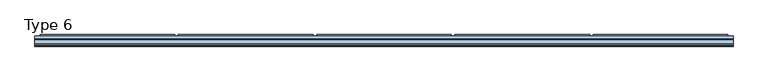
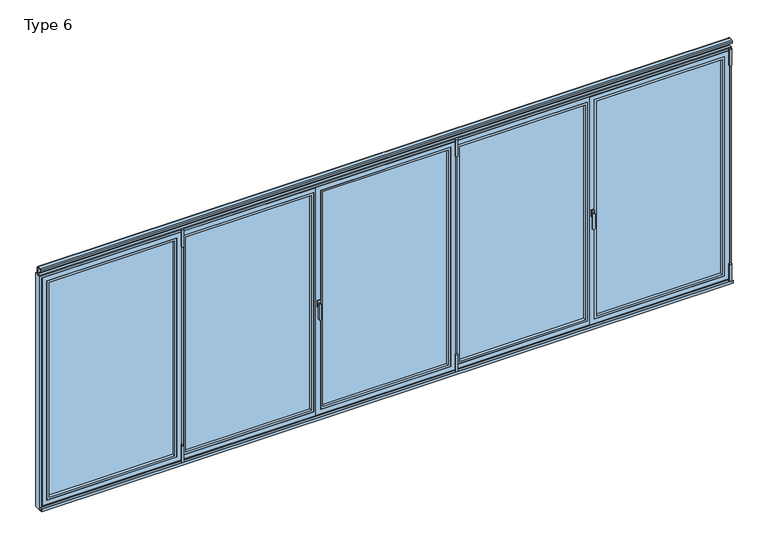
"""IFC4 building model written with IfcOpenShell, lengths in millimetres: window geometry, Type 6."""

from ifc_helpers import new_model, si_unit, point, frame, frame_2d, origin, place, context, project, spatial, polyline, circle_curve, trimmed, segment, composite_curve, outline, extrude, faceted_brep, source, transform, mapped, element, save
from ifc_brep_helpers import plane_surface, revolved_surface, advanced_brep


def type_6_426a1df4(model_context):
    return source(origin(), model_context, "Body", "SolidModel", [
        faceted_brep([(-1791.0, 80.0, 35.0), (-1796.0, 80.0, 35.0), (-2940.0, 80.0, 35.0), (-2945.0, 80.0, 35.0), (-2945.0, 80.0, 2070.0), (-2940.0, 80.0, 2070.0), (-1796.0, 80.0, 2070.0), (-1791.0, 80.0, 2070.0), (-1828.5, 80.0, 72.5), (-1828.5, 80.0, 2032.5), (-2907.5, 80.0, 2032.5), (-2907.5, 80.0, 72.5), (-2970.0, 20.0, 10.0), (-1766.0, 20.0, 10.0), (-1766.0, 20.0, 2095.0), (-2970.0, 20.0, 2095.0), (-2930.0, 20.0, 50.0), (-2930.0, 20.0, 2055.0), (-1806.0, 20.0, 2055.0), (-1806.0, 20.0, 50.0), (-1806.0, 72.75, 2055.0), (-1806.0, 72.75, 50.0), (-2930.0, 72.75, 50.0), (-2930.0, 72.75, 2055.0), (-2907.5, 72.75, 72.5), (-2907.5, 72.75, 2032.5), (-1828.5, 72.75, 2032.5), (-1828.5, 72.75, 72.5), (-1791.0, 73.0, 2070.0), (-1791.0, 73.0, 35.0), (-2945.0, 73.0, 35.0), (-2945.0, 73.0, 2070.0), (-1796.0, 73.0, 35.0), (-2940.0, 73.0, 35.0), (-2955.0, 73.0, 25.0), (-2955.0, 73.0, 2080.0), (-1781.0, 73.0, 2080.0), (-1781.0, 73.0, 25.0), (-1796.0, 73.0, 2070.0), (-2940.0, 73.0, 2070.0), (-1781.0, 27.0, 2080.0), (-1781.0, 27.0, 25.0), (-2955.0, 27.0, 25.0), (-2955.0, 27.0, 2080.0), (-1766.0, 27.0, 10.0), (-2970.0, 27.0, 10.0), (-2970.0, 27.0, 2095.0), (-1766.0, 27.0, 2095.0)], [[[0, 1, 2, 3, 4, 5, 6, 7], [8, 9, 10, 11]], [[12, 13, 14, 15], [16, 17, 18, 19]], [[19, 18, 20, 21]], [[21, 22, 16, 19]], [[22, 23, 17, 16]], [[21, 20, 23, 22], [24, 25, 26, 27]], [[27, 26, 9, 8]], [[8, 11, 24, 27]], [[11, 10, 25, 24]], [[23, 20, 18, 17]], [[10, 9, 26, 25]], [[7, 28, 29, 0]], [[3, 30, 31, 4]], [[29, 32, 33, 30, 3, 2, 1, 0]], [[34, 35, 36, 37], [30, 33, 32, 29, 28, 38, 39, 31]], [[37, 36, 40, 41]], [[42, 34, 37, 41]], [[42, 43, 35, 34]], [[31, 39, 38, 28, 7, 6, 5, 4]], [[40, 36, 35, 43]], [[44, 13, 12, 45]], [[46, 47, 44, 45], [40, 43, 42, 41]], [[14, 47, 46, 15]], [[12, 15, 46, 45]], [[14, 13, 44, 47]]]),
        extrude(outline(polyline([(-1806.0, 72.75), (-1806.0, 44.75), (-2930.0, 44.75), (-2930.0, 72.75), (-1806.0, 72.75)])), frame((0.0, 0.0, 50.0), z_axis=(0.0, 0.0, 1.0), x_axis=(1.0, 0.0, 0.0)), (0.0, 0.0, 1.0), 2005.0),
        extrude(outline(polyline([(2055.0, -1806.0), (2055.0, -2930.0), (50.0, -2930.0), (50.0, -1806.0), (2055.0, -1806.0)]), holes=[polyline([(2035.0009231, -2910.0009231), (2035.0009231, -1825.9990769), (69.9990769, -1825.9990769), (69.9990769, -2910.0009231), (2035.0009231, -2910.0009231)])]), frame((0.0, 20.5, 0.0), z_axis=(0.0, 1.0, 0.0), x_axis=(0.0, 0.0, 1.0)), (0.0, 0.0, 1.0), 24.25),
        extrude(outline(composite_curve([segment(trimmed(circle_curve(frame_2d((-1763.5, 6.5)), 10.0), [point((-1753.5, 6.5))], [point((-1773.5, 6.5))], False, "CARTESIAN"), True, "CONTINUOUS"), segment(trimmed(circle_curve(frame_2d((-1763.5, 6.5)), 10.0), [point((-1773.5, 6.5))], [point((-1753.5, 6.5))], False, "CARTESIAN"), True, "CONTINUOUS")], self_intersect=False)), frame((0.0, 0.0, -12.0640378), z_axis=(0.0, 0.0, 1.0), x_axis=(1.0, 0.0, 0.0)), (0.0, 0.0, 1.0), 166.5636122),
        extrude(outline(composite_curve([segment(trimmed(circle_curve(frame_2d((-1763.5, 6.5)), 10.0), [point((-1773.5, 6.5))], [point((-1753.5, 6.5))], False, "CARTESIAN"), True, "CONTINUOUS"), segment(trimmed(circle_curve(frame_2d((-1763.5, 6.5)), 10.0), [point((-1753.5, 6.5))], [point((-1773.5, 6.5))], False, "CARTESIAN"), True, "CONTINUOUS")], self_intersect=False)), frame((0.0, 0.0, 1972.5), z_axis=(0.0, 0.0, 1.0), x_axis=(1.0, 0.0, 0.0)), (0.0, 0.0, 1.0), 153.5),
        extrude(outline(polyline([(80.0, 52.8188022), (93.0, 45.3132487), (93.0, 32.2), (80.0, 32.2), (80.0, 52.8188022)])), frame((-2945.0, 0.0, 0.0), z_axis=(1.0, 0.0, 0.0), x_axis=(0.0, 1.0, 0.0)), (0.0, 0.0, 1.0), 1154.0),
        advanced_brep(
        [(-568.5, 11.0, 1028.0), (-590.5, 11.0, 1028.0), (-589.5, 3.5, 1028.0), (-569.5, 3.5, 1028.0), (-570.5, -4.0, 896.6867153), (-570.5, -4.0, 1028.0), (-588.5, -4.0, 1028.0), (-588.5, -4.0, 896.6867153), (-569.5, 3.5, 896.6867153), (-589.5, 3.5, 896.6867153)],
        [
            (0, 1, circle_curve(frame((-579.5, 11.0, 1028.0), z_axis=(0.0, 1.0, 0.0), x_axis=(-1.0, 0.0, 0.0)), 11.0)),
            (1, 0, circle_curve(frame((-579.5, 11.0, 1028.0), z_axis=(0.0, 1.0, 0.0), x_axis=(1.0, 0.0, 0.0)), 11.0)),
            (1, 2),
            (2, 3, circle_curve(frame((-579.5, 3.5, 1028.0), z_axis=(0.0, 1.0, 0.0), x_axis=(1.0, 0.0, 0.0)), 10.0)),
            (3, 0),
            (3, 2, circle_curve(frame((-579.5, 3.5, 1028.0), z_axis=(0.0, 1.0, 0.0), x_axis=(-1.0, 0.0, 0.0)), 10.0)),
            (4, 5),
            (5, 6, circle_curve(frame((-579.5, -4.0, 1028.0), z_axis=(0.0, -1.0, 0.0), x_axis=(-1.0, 0.0, 0.0)), 9.0)),
            (6, 7),
            (7, 4, circle_curve(frame((-579.5, -4.0, 896.6867153), z_axis=(0.0, -1.0, 0.0), x_axis=(1.0, 0.0, 0.0)), 9.0)),
            (8, 9, circle_curve(frame((-579.5, 3.5, 896.6867153), z_axis=(0.0, 1.0, 0.0), x_axis=(1.0, 0.0, 0.0)), 10.0)),
            (9, 2),
            (3, 8),
            (7, 9),
            (8, 4),
            (6, 2),
            (5, 3),
        ],
        [
            plane_surface(frame((-579.5, 11.0, 1028.0), z_axis=(0.0, 1.0, 0.0), x_axis=(0.0, 0.0, 1.0))),
            revolved_surface(polyline([(-589.5, 3.5, 1028.0), (-590.5, 11.0, 1028.0)]), (-579.5, -71.5, 1028.0), (0.0, 1.0, 0.0)),
            revolved_surface(polyline([(-569.5, 3.5, 1028.0), (-568.5, 11.0, 1028.0)]), (-579.5, -71.5, 1028.0), (0.0, 1.0, 0.0)),
            plane_surface(frame((-579.5, -4.0, 962.3433576), z_axis=(0.0, -1.0, 0.0), x_axis=(0.0, 0.0, -1.0))),
            plane_surface(frame((-579.5, 3.5, 962.3433576), z_axis=(0.0, 1.0, 0.0), x_axis=(0.0, 0.0, -1.0))),
            revolved_surface(polyline([(-588.5, -4.0, 896.6867153), (-589.5, 3.5, 896.6867153)]), (-579.5, -71.5, 896.6867153), (0.0, 1.0, 0.0)),
            plane_surface(frame((-589.5, 3.5, 962.3433576), z_axis=(-0.9912279006826277, -0.1321637200910704, 0.0), x_axis=(0.0, 0.0, 1.0))),
            revolved_surface(polyline([(-570.5, -4.0, 1028.0), (-569.5, 3.5, 1028.0)]), (-579.5, -71.5, 1028.0), (0.0, 1.0, 0.0)),
            plane_surface(frame((-569.5, 3.5, 962.3433576), z_axis=(0.9912279006826291, -0.1321637200910603, 0.0), x_axis=(0.0, 0.0, -1.0))),
        ],
        [
            (0, [[1, 2]]),
            (1, [[3, 4, 5, -2]]),
            (2, [[-5, 6, -3, -1]]),
            (3, [[7, 8, 9, 10]]),
            (4, [[11, 12, -6, 13]]),
            (5, [[14, -11, 15, -10]]),
            (6, [[16, -12, -14, -9]]),
            (7, [[17, -4, -16, -8]]),
            (8, [[-15, -13, -17, -7]]),
        ],
    ),
        extrude(outline(polyline([(-591.5, 11.0), (-591.5, 20.0), (-567.5, 20.0), (-567.5, 11.0), (-591.5, 11.0)])), frame((0.0, 0.0, 998.0), z_axis=(0.0, 0.0, 1.0), x_axis=(1.0, 0.0, 0.0)), (0.0, 0.0, 1.0), 60.0),
        faceted_brep([(577.0, 80.0, 35.0), (572.0, 80.0, 35.0), (-572.0, 80.0, 35.0), (-577.0, 80.0, 35.0), (-577.0, 80.0, 2070.0), (-572.0, 80.0, 2070.0), (572.0, 80.0, 2070.0), (577.0, 80.0, 2070.0), (539.5, 80.0, 72.5), (539.5, 80.0, 2032.5), (-539.5, 80.0, 2032.5), (-539.5, 80.0, 72.5), (-602.0, 20.0, 10.0), (602.0, 20.0, 10.0), (602.0, 20.0, 2095.0), (-602.0, 20.0, 2095.0), (-562.0, 20.0, 50.0), (-562.0, 20.0, 2055.0), (562.0, 20.0, 2055.0), (562.0, 20.0, 50.0), (562.0, 72.75, 2055.0), (562.0, 72.75, 50.0), (-562.0, 72.75, 50.0), (-562.0, 72.75, 2055.0), (-539.5, 72.75, 72.5), (-539.5, 72.75, 2032.5), (539.5, 72.75, 2032.5), (539.5, 72.75, 72.5), (577.0, 73.0, 2070.0), (577.0, 73.0, 35.0), (-577.0, 73.0, 35.0), (-577.0, 73.0, 2070.0), (572.0, 73.0, 35.0), (-572.0, 73.0, 35.0), (-587.0, 73.0, 25.0), (-587.0, 73.0, 2080.0), (587.0, 73.0, 2080.0), (587.0, 73.0, 25.0), (572.0, 73.0, 2070.0), (-572.0, 73.0, 2070.0), (587.0, 27.0, 2080.0), (587.0, 27.0, 25.0), (-587.0, 27.0, 25.0), (-587.0, 27.0, 2080.0), (602.0, 27.0, 10.0), (-602.0, 27.0, 10.0), (-602.0, 27.0, 2095.0), (602.0, 27.0, 2095.0)], [[[0, 1, 2, 3, 4, 5, 6, 7], [8, 9, 10, 11]], [[12, 13, 14, 15], [16, 17, 18, 19]], [[19, 18, 20, 21]], [[21, 22, 16, 19]], [[22, 23, 17, 16]], [[21, 20, 23, 22], [24, 25, 26, 27]], [[27, 26, 9, 8]], [[8, 11, 24, 27]], [[11, 10, 25, 24]], [[23, 20, 18, 17]], [[10, 9, 26, 25]], [[7, 28, 29, 0]], [[3, 30, 31, 4]], [[29, 32, 33, 30, 3, 2, 1, 0]], [[34, 35, 36, 37], [30, 33, 32, 29, 28, 38, 39, 31]], [[37, 36, 40, 41]], [[42, 34, 37, 41]], [[42, 43, 35, 34]], [[31, 39, 38, 28, 7, 6, 5, 4]], [[40, 36, 35, 43]], [[44, 13, 12, 45]], [[46, 47, 44, 45], [40, 43, 42, 41]], [[14, 47, 46, 15]], [[12, 15, 46, 45]], [[14, 13, 44, 47]]]),
        extrude(outline(polyline([(562.0, 72.75), (562.0, 44.75), (-562.0, 44.75), (-562.0, 72.75), (562.0, 72.75)])), frame((0.0, 0.0, 50.0), z_axis=(0.0, 0.0, 1.0), x_axis=(1.0, 0.0, 0.0)), (0.0, 0.0, 1.0), 2005.0),
        extrude(outline(polyline([(2055.0, 562.0), (2055.0, -562.0), (50.0, -562.0), (50.0, 562.0), (2055.0, 562.0)]), holes=[polyline([(2035.0009231, -542.0009231), (2035.0009231, 542.0009231), (69.9990769, 542.0009231), (69.9990769, -542.0009231), (2035.0009231, -542.0009231)])]), frame((0.0, 20.5, 0.0), z_axis=(0.0, 1.0, 0.0), x_axis=(0.0, 0.0, 1.0)), (0.0, 0.0, 1.0), 24.25),
        extrude(outline(composite_curve([segment(trimmed(circle_curve(frame_2d((604.5, 6.5)), 10.0), [point((614.5, 6.5))], [point((594.5, 6.5))], False, "CARTESIAN"), True, "CONTINUOUS"), segment(trimmed(circle_curve(frame_2d((604.5, 6.5)), 10.0), [point((594.5, 6.5))], [point((614.5, 6.5))], False, "CARTESIAN"), True, "CONTINUOUS")], self_intersect=False)), frame((0.0, 0.0, -12.0640378), z_axis=(0.0, 0.0, 1.0), x_axis=(1.0, 0.0, 0.0)), (0.0, 0.0, 1.0), 166.5636122),
        extrude(outline(composite_curve([segment(trimmed(circle_curve(frame_2d((604.5, 6.5)), 10.0), [point((594.5, 6.5))], [point((614.5, 6.5))], False, "CARTESIAN"), True, "CONTINUOUS"), segment(trimmed(circle_curve(frame_2d((604.5, 6.5)), 10.0), [point((614.5, 6.5))], [point((594.5, 6.5))], False, "CARTESIAN"), True, "CONTINUOUS")], self_intersect=False)), frame((0.0, 0.0, 1972.5), z_axis=(0.0, 0.0, 1.0), x_axis=(1.0, 0.0, 0.0)), (0.0, 0.0, 1.0), 153.5),
        extrude(outline(polyline([(80.0, 52.8188022), (93.0, 45.3132487), (93.0, 32.2), (80.0, 32.2), (80.0, 52.8188022)])), frame((-577.0, 0.0, 0.0), z_axis=(1.0, 0.0, 0.0), x_axis=(0.0, 1.0, 0.0)), (0.0, 0.0, 1.0), 1154.0),
        faceted_brep([(582.0, 80.0, 35.0), (582.0, 80.0, 2070.0), (612.0, 80.0, 2070.0), (1756.0, 80.0, 2070.0), (1786.0, 80.0, 2070.0), (1786.0, 80.0, 35.0), (1756.0, 80.0, 35.0), (612.0, 80.0, 35.0), (644.5, 80.0, 72.5), (1723.5, 80.0, 72.5), (1723.5, 80.0, 2032.5), (644.5, 80.0, 2032.5), (1761.0, 20.0, 10.0), (1761.0, 20.0, 2095.0), (1756.0, 20.0, 2095.0), (612.0, 20.0, 2095.0), (607.0, 20.0, 2095.0), (607.0, 20.0, 10.0), (612.0, 20.0, 10.0), (1756.0, 20.0, 10.0), (1746.0, 20.0, 50.0), (622.0, 20.0, 50.0), (622.0, 20.0, 2055.0), (1746.0, 20.0, 2055.0), (622.0, 72.75, 50.0), (622.0, 72.75, 2055.0), (1746.0, 72.75, 50.0), (1746.0, 72.75, 2055.0), (1723.5, 72.75, 72.5), (644.5, 72.75, 72.5), (644.5, 72.75, 2032.5), (1723.5, 72.75, 2032.5), (582.0, 73.0, 35.0), (1786.0, 73.0, 35.0), (1771.0, 73.0, 35.0), (1756.0, 73.0, 35.0), (612.0, 73.0, 35.0), (597.0, 73.0, 35.0), (1771.0, 73.0, 25.0), (597.0, 73.0, 25.0), (597.0, 73.0, 2080.0), (1771.0, 73.0, 2080.0), (1771.0, 73.0, 2070.0), (1756.0, 73.0, 2070.0), (612.0, 73.0, 2070.0), (597.0, 73.0, 2070.0), (597.0, 27.0, 25.0), (597.0, 27.0, 2080.0), (1771.0, 27.0, 25.0), (1761.0, 27.0, 25.0), (1756.0, 27.0, 25.0), (612.0, 27.0, 25.0), (607.0, 27.0, 25.0), (1771.0, 27.0, 2080.0), (607.0, 27.0, 2080.0), (1761.0, 27.0, 2080.0), (582.0, 73.0, 2070.0), (1786.0, 73.0, 2070.0), (612.0, 27.0, 2080.0), (1756.0, 27.0, 2080.0), (1761.0, 27.0, 10.0), (1761.0, 27.0, 2095.0), (607.0, 27.0, 10.0), (607.0, 27.0, 2095.0), (612.0, 27.0, 10.0), (1756.0, 27.0, 10.0), (1756.0, 27.0, 2095.0), (612.0, 27.0, 2095.0)], [[[0, 1, 2, 3, 4, 5, 6, 7], [8, 9, 10, 11]], [[12, 13, 14, 15, 16, 17, 18, 19], [20, 21, 22, 23]], [[21, 24, 25, 22]], [[24, 21, 20, 26]], [[26, 20, 23, 27]], [[24, 26, 27, 25], [28, 29, 30, 31]], [[29, 8, 11, 30]], [[8, 29, 28, 9]], [[9, 28, 31, 10]], [[27, 23, 22, 25]], [[10, 31, 30, 11]], [[32, 0, 7, 6, 5, 33, 34, 35, 36, 37]], [[38, 39, 37, 36, 35, 34]], [[40, 41, 42, 43, 44, 45]], [[39, 46, 47, 40, 45, 37]], [[46, 39, 38, 48, 49, 50, 51, 52]], [[48, 38, 34, 42, 41, 53]], [[47, 46, 52, 54]], [[48, 53, 55, 49]], [[1, 56, 45, 44, 43, 42, 57, 4, 3, 2]], [[53, 41, 40, 47, 54, 58, 59, 55]], [[12, 60, 49, 55, 61, 13]], [[62, 17, 16, 63, 54, 52]], [[17, 62, 64, 65, 60, 12, 19, 18]], [[62, 52, 51, 50, 49, 60, 65, 64]], [[13, 61, 66, 67, 63, 16, 15, 14]], [[61, 55, 59, 58, 54, 63, 67, 66]], [[56, 1, 0, 32]], [[33, 5, 4, 57]], [[33, 57, 42, 34]], [[56, 32, 37, 45]]]),
        extrude(outline(polyline([(622.0, 72.75), (1746.0, 72.75), (1746.0, 44.75), (622.0, 44.75), (622.0, 72.75)])), frame((0.0, 0.0, 50.0), z_axis=(0.0, 0.0, 1.0), x_axis=(1.0, 0.0, 0.0)), (0.0, 0.0, 1.0), 2005.0),
        extrude(outline(polyline([(2055.0, 622.0), (50.0, 622.0), (50.0, 1746.0), (2055.0, 1746.0), (2055.0, 622.0)]), holes=[polyline([(2035.0009231, 1726.0009231), (69.9990769, 1726.0009231), (69.9990769, 641.9990769), (2035.0009231, 641.9990769), (2035.0009231, 1726.0009231)])]), frame((0.0, 20.5, 0.0), z_axis=(0.0, 1.0, 0.0), x_axis=(0.0, 0.0, 1.0)), (0.0, 0.0, 1.0), 24.25),
        extrude(outline(composite_curve([segment(trimmed(circle_curve(frame_2d((604.5, 6.5)), 10.0), [point((594.5, 6.5))], [point((614.5, 6.5))], False, "CARTESIAN"), True, "CONTINUOUS"), segment(trimmed(circle_curve(frame_2d((604.5, 6.5)), 10.0), [point((614.5, 6.5))], [point((594.5, 6.5))], False, "CARTESIAN"), True, "CONTINUOUS")], self_intersect=False)), frame((0.0, 0.0, -12.0640378), z_axis=(0.0, 0.0, 1.0), x_axis=(1.0, 0.0, 0.0)), (0.0, 0.0, 1.0), 166.5636122),
        extrude(outline(composite_curve([segment(trimmed(circle_curve(frame_2d((604.5, 6.5)), 10.0), [point((614.5, 6.5))], [point((594.5, 6.5))], False, "CARTESIAN"), True, "CONTINUOUS"), segment(trimmed(circle_curve(frame_2d((604.5, 6.5)), 10.0), [point((594.5, 6.5))], [point((614.5, 6.5))], False, "CARTESIAN"), True, "CONTINUOUS")], self_intersect=False)), frame((0.0, 0.0, 1972.5), z_axis=(0.0, 0.0, 1.0), x_axis=(1.0, 0.0, 0.0)), (0.0, 0.0, 1.0), 153.5),
        extrude(outline(polyline([(80.0, 52.8188022), (93.0, 45.3132487), (93.0, 32.2), (80.0, 32.2), (80.0, 52.8188022)])), frame((607.0, 0.0, 0.0), z_axis=(1.0, 0.0, 0.0), x_axis=(0.0, 1.0, 0.0)), (0.0, 0.0, 1.0), 1154.0),
        advanced_brep(
        [(1799.5, 11.0, 1028.0), (1777.5, 11.0, 1028.0), (1778.5, 3.5, 1028.0), (1798.5, 3.5, 1028.0), (1797.5, -4.0, 896.6867153), (1797.5, -4.0, 1028.0), (1779.5, -4.0, 1028.0), (1779.5, -4.0, 896.6867153), (1798.5, 3.5, 896.6867153), (1778.5, 3.5, 896.6867153)],
        [
            (0, 1, circle_curve(frame((1788.5, 11.0, 1028.0), z_axis=(0.0, 1.0, 0.0), x_axis=(-1.0, 0.0, 0.0)), 11.0)),
            (1, 0, circle_curve(frame((1788.5, 11.0, 1028.0), z_axis=(0.0, 1.0, 0.0), x_axis=(1.0, 0.0, 0.0)), 11.0)),
            (1, 2),
            (2, 3, circle_curve(frame((1788.5, 3.5, 1028.0), z_axis=(0.0, 1.0, 0.0), x_axis=(1.0, 0.0, 0.0)), 10.0)),
            (3, 0),
            (3, 2, circle_curve(frame((1788.5, 3.5, 1028.0), z_axis=(0.0, 1.0, 0.0), x_axis=(-1.0, 0.0, 0.0)), 10.0)),
            (4, 5),
            (5, 6, circle_curve(frame((1788.5, -4.0, 1028.0), z_axis=(0.0, -1.0, 0.0), x_axis=(-1.0, 0.0, 0.0)), 9.0)),
            (6, 7),
            (7, 4, circle_curve(frame((1788.5, -4.0, 896.6867153), z_axis=(0.0, -1.0, 0.0), x_axis=(1.0, 0.0, 0.0)), 9.0)),
            (8, 9, circle_curve(frame((1788.5, 3.5, 896.6867153), z_axis=(0.0, 1.0, 0.0), x_axis=(1.0, 0.0, 0.0)), 10.0)),
            (9, 2),
            (3, 8),
            (7, 9),
            (8, 4),
            (6, 2),
            (5, 3),
        ],
        [
            plane_surface(frame((1788.5, 11.0, 1028.0), z_axis=(0.0, 1.0, 0.0), x_axis=(0.0, 0.0, 1.0))),
            revolved_surface(polyline([(1778.5, 3.5, 1028.0), (1777.5, 11.0, 1028.0)]), (1788.5, -71.5, 1028.0), (0.0, 1.0, 0.0)),
            revolved_surface(polyline([(1798.5, 3.5, 1028.0), (1799.5, 11.0, 1028.0)]), (1788.5, -71.5, 1028.0), (0.0, 1.0, 0.0)),
            plane_surface(frame((1788.5, -4.0, 962.3433576), z_axis=(0.0, -1.0, 0.0), x_axis=(0.0, 0.0, -1.0))),
            plane_surface(frame((1788.5, 3.5, 962.3433576), z_axis=(0.0, 1.0, 0.0), x_axis=(0.0, 0.0, -1.0))),
            revolved_surface(polyline([(1779.5, -4.0, 896.6867153), (1778.5, 3.5, 896.6867153)]), (1788.5, -71.5, 896.6867153), (0.0, 1.0, 0.0)),
            plane_surface(frame((1778.5, 3.5, 962.3433576), z_axis=(-0.9912279006826277, -0.1321637200910704, 0.0), x_axis=(0.0, 0.0, 1.0))),
            revolved_surface(polyline([(1797.5, -4.0, 1028.0), (1798.5, 3.5, 1028.0)]), (1788.5, -71.5, 1028.0), (0.0, 1.0, 0.0)),
            plane_surface(frame((1798.5, 3.5, 962.3433576), z_axis=(0.9912279006826291, -0.1321637200910603, 0.0), x_axis=(0.0, 0.0, -1.0))),
        ],
        [
            (0, [[1, 2]]),
            (1, [[3, 4, 5, -2]]),
            (2, [[-5, 6, -3, -1]]),
            (3, [[7, 8, 9, 10]]),
            (4, [[11, 12, -6, 13]]),
            (5, [[14, -11, 15, -10]]),
            (6, [[16, -12, -14, -9]]),
            (7, [[17, -4, -16, -8]]),
            (8, [[-15, -13, -17, -7]]),
        ],
    ),
        extrude(outline(polyline([(1776.5, 11.0), (1776.5, 20.0), (1800.5, 20.0), (1800.5, 11.0), (1776.5, 11.0)])), frame((0.0, 0.0, 998.0), z_axis=(0.0, 0.0, 1.0), x_axis=(1.0, 0.0, 0.0)), (0.0, 0.0, 1.0), 60.0),
        faceted_brep([(2945.0, 80.0, 35.0), (2940.0, 80.0, 35.0), (1796.0, 80.0, 35.0), (1791.0, 80.0, 35.0), (1791.0, 80.0, 2070.0), (1796.0, 80.0, 2070.0), (2940.0, 80.0, 2070.0), (2945.0, 80.0, 2070.0), (2907.5, 80.0, 72.5), (2907.5, 80.0, 2032.5), (1828.5, 80.0, 2032.5), (1828.5, 80.0, 72.5), (1766.0, 20.0, 10.0), (2970.0, 20.0, 10.0), (2970.0, 20.0, 2095.0), (1766.0, 20.0, 2095.0), (1806.0, 20.0, 50.0), (1806.0, 20.0, 2055.0), (2930.0, 20.0, 2055.0), (2930.0, 20.0, 50.0), (2930.0, 72.75, 2055.0), (2930.0, 72.75, 50.0), (1806.0, 72.75, 50.0), (1806.0, 72.75, 2055.0), (1828.5, 72.75, 72.5), (1828.5, 72.75, 2032.5), (2907.5, 72.75, 2032.5), (2907.5, 72.75, 72.5), (2945.0, 73.0, 2070.0), (2945.0, 73.0, 35.0), (1791.0, 73.0, 35.0), (1791.0, 73.0, 2070.0), (2940.0, 73.0, 35.0), (1796.0, 73.0, 35.0), (1781.0, 73.0, 25.0), (1781.0, 73.0, 2080.0), (2955.0, 73.0, 2080.0), (2955.0, 73.0, 25.0), (2940.0, 73.0, 2070.0), (1796.0, 73.0, 2070.0), (2955.0, 27.0, 2080.0), (2955.0, 27.0, 25.0), (1781.0, 27.0, 25.0), (1781.0, 27.0, 2080.0), (2970.0, 27.0, 10.0), (1766.0, 27.0, 10.0), (1766.0, 27.0, 2095.0), (2970.0, 27.0, 2095.0)], [[[0, 1, 2, 3, 4, 5, 6, 7], [8, 9, 10, 11]], [[12, 13, 14, 15], [16, 17, 18, 19]], [[19, 18, 20, 21]], [[21, 22, 16, 19]], [[22, 23, 17, 16]], [[21, 20, 23, 22], [24, 25, 26, 27]], [[27, 26, 9, 8]], [[8, 11, 24, 27]], [[11, 10, 25, 24]], [[23, 20, 18, 17]], [[10, 9, 26, 25]], [[7, 28, 29, 0]], [[3, 30, 31, 4]], [[29, 32, 33, 30, 3, 2, 1, 0]], [[34, 35, 36, 37], [30, 33, 32, 29, 28, 38, 39, 31]], [[37, 36, 40, 41]], [[42, 34, 37, 41]], [[42, 43, 35, 34]], [[31, 39, 38, 28, 7, 6, 5, 4]], [[40, 36, 35, 43]], [[44, 13, 12, 45]], [[46, 47, 44, 45], [40, 43, 42, 41]], [[14, 47, 46, 15]], [[12, 15, 46, 45]], [[14, 13, 44, 47]]]),
        extrude(outline(polyline([(2930.0, 72.75), (2930.0, 44.75), (1806.0, 44.75), (1806.0, 72.75), (2930.0, 72.75)])), frame((0.0, 0.0, 50.0), z_axis=(0.0, 0.0, 1.0), x_axis=(1.0, 0.0, 0.0)), (0.0, 0.0, 1.0), 2005.0),
        extrude(outline(polyline([(2055.0, 2930.0), (2055.0, 1806.0), (50.0, 1806.0), (50.0, 2930.0), (2055.0, 2930.0)]), holes=[polyline([(2035.0009231, 1825.9990769), (2035.0009231, 2910.0009231), (69.9990769, 2910.0009231), (69.9990769, 1825.9990769), (2035.0009231, 1825.9990769)])]), frame((0.0, 20.5, 0.0), z_axis=(0.0, 1.0, 0.0), x_axis=(0.0, 0.0, 1.0)), (0.0, 0.0, 1.0), 24.25),
        extrude(outline(composite_curve([segment(trimmed(circle_curve(frame_2d((2972.5, 6.5)), 10.0), [point((2982.5, 6.5))], [point((2962.5, 6.5))], False, "CARTESIAN"), True, "CONTINUOUS"), segment(trimmed(circle_curve(frame_2d((2972.5, 6.5)), 10.0), [point((2962.5, 6.5))], [point((2982.5, 6.5))], False, "CARTESIAN"), True, "CONTINUOUS")], self_intersect=False)), frame((0.0, 0.0, -12.0640378), z_axis=(0.0, 0.0, 1.0), x_axis=(1.0, 0.0, 0.0)), (0.0, 0.0, 1.0), 166.5636122),
        extrude(outline(composite_curve([segment(trimmed(circle_curve(frame_2d((2972.5, 6.5)), 10.0), [point((2962.5, 6.5))], [point((2982.5, 6.5))], False, "CARTESIAN"), True, "CONTINUOUS"), segment(trimmed(circle_curve(frame_2d((2972.5, 6.5)), 10.0), [point((2982.5, 6.5))], [point((2962.5, 6.5))], False, "CARTESIAN"), True, "CONTINUOUS")], self_intersect=False)), frame((0.0, 0.0, 1972.5), z_axis=(0.0, 0.0, 1.0), x_axis=(1.0, 0.0, 0.0)), (0.0, 0.0, 1.0), 153.5),
        extrude(outline(polyline([(80.0, 52.8188022), (93.0, 45.3132487), (93.0, 32.2), (80.0, 32.2), (80.0, 52.8188022)])), frame((1791.0, 0.0, 0.0), z_axis=(1.0, 0.0, 0.0), x_axis=(0.0, 1.0, 0.0)), (0.0, 0.0, 1.0), 1154.0),
        faceted_brep([(-1786.0, 80.0, 35.0), (-1786.0, 80.0, 2070.0), (-1756.0, 80.0, 2070.0), (-612.0, 80.0, 2070.0), (-582.0, 80.0, 2070.0), (-582.0, 80.0, 35.0), (-612.0, 80.0, 35.0), (-1756.0, 80.0, 35.0), (-1723.5, 80.0, 72.5), (-644.5, 80.0, 72.5), (-644.5, 80.0, 2032.5), (-1723.5, 80.0, 2032.5), (-607.0, 20.0, 10.0), (-607.0, 20.0, 2095.0), (-612.0, 20.0, 2095.0), (-1756.0, 20.0, 2095.0), (-1761.0, 20.0, 2095.0), (-1761.0, 20.0, 10.0), (-1756.0, 20.0, 10.0), (-612.0, 20.0, 10.0), (-622.0, 20.0, 50.0), (-1746.0, 20.0, 50.0), (-1746.0, 20.0, 2055.0), (-622.0, 20.0, 2055.0), (-1746.0, 72.75, 50.0), (-1746.0, 72.75, 2055.0), (-622.0, 72.75, 50.0), (-622.0, 72.75, 2055.0), (-644.5, 72.75, 72.5), (-1723.5, 72.75, 72.5), (-1723.5, 72.75, 2032.5), (-644.5, 72.75, 2032.5), (-1786.0, 73.0, 35.0), (-582.0, 73.0, 35.0), (-597.0, 73.0, 35.0), (-612.0, 73.0, 35.0), (-1756.0, 73.0, 35.0), (-1771.0, 73.0, 35.0), (-597.0, 73.0, 25.0), (-1771.0, 73.0, 25.0), (-1771.0, 73.0, 2080.0), (-597.0, 73.0, 2080.0), (-597.0, 73.0, 2070.0), (-612.0, 73.0, 2070.0), (-1756.0, 73.0, 2070.0), (-1771.0, 73.0, 2070.0), (-1771.0, 27.0, 25.0), (-1771.0, 27.0, 2080.0), (-597.0, 27.0, 25.0), (-607.0, 27.0, 25.0), (-612.0, 27.0, 25.0), (-1756.0, 27.0, 25.0), (-1761.0, 27.0, 25.0), (-597.0, 27.0, 2080.0), (-1761.0, 27.0, 2080.0), (-607.0, 27.0, 2080.0), (-1786.0, 73.0, 2070.0), (-582.0, 73.0, 2070.0), (-1756.0, 27.0, 2080.0), (-612.0, 27.0, 2080.0), (-607.0, 27.0, 10.0), (-607.0, 27.0, 2095.0), (-1761.0, 27.0, 10.0), (-1761.0, 27.0, 2095.0), (-1756.0, 27.0, 10.0), (-612.0, 27.0, 10.0), (-612.0, 27.0, 2095.0), (-1756.0, 27.0, 2095.0)], [[[0, 1, 2, 3, 4, 5, 6, 7], [8, 9, 10, 11]], [[12, 13, 14, 15, 16, 17, 18, 19], [20, 21, 22, 23]], [[21, 24, 25, 22]], [[24, 21, 20, 26]], [[26, 20, 23, 27]], [[24, 26, 27, 25], [28, 29, 30, 31]], [[29, 8, 11, 30]], [[8, 29, 28, 9]], [[9, 28, 31, 10]], [[27, 23, 22, 25]], [[10, 31, 30, 11]], [[32, 0, 7, 6, 5, 33, 34, 35, 36, 37]], [[38, 39, 37, 36, 35, 34]], [[40, 41, 42, 43, 44, 45]], [[39, 46, 47, 40, 45, 37]], [[46, 39, 38, 48, 49, 50, 51, 52]], [[48, 38, 34, 42, 41, 53]], [[47, 46, 52, 54]], [[48, 53, 55, 49]], [[1, 56, 45, 44, 43, 42, 57, 4, 3, 2]], [[53, 41, 40, 47, 54, 58, 59, 55]], [[12, 60, 49, 55, 61, 13]], [[62, 17, 16, 63, 54, 52]], [[17, 62, 64, 65, 60, 12, 19, 18]], [[62, 52, 51, 50, 49, 60, 65, 64]], [[13, 61, 66, 67, 63, 16, 15, 14]], [[61, 55, 59, 58, 54, 63, 67, 66]], [[56, 1, 0, 32]], [[33, 5, 4, 57]], [[33, 57, 42, 34]], [[56, 32, 37, 45]]]),
        extrude(outline(polyline([(-1746.0, 72.75), (-622.0, 72.75), (-622.0, 44.75), (-1746.0, 44.75), (-1746.0, 72.75)])), frame((0.0, 0.0, 50.0), z_axis=(0.0, 0.0, 1.0), x_axis=(1.0, 0.0, 0.0)), (0.0, 0.0, 1.0), 2005.0),
        extrude(outline(polyline([(2055.0, -1746.0), (50.0, -1746.0), (50.0, -622.0), (2055.0, -622.0), (2055.0, -1746.0)]), holes=[polyline([(2035.0009231, -641.9990769), (69.9990769, -641.9990769), (69.9990769, -1726.0009231), (2035.0009231, -1726.0009231), (2035.0009231, -641.9990769)])]), frame((0.0, 20.5, 0.0), z_axis=(0.0, 1.0, 0.0), x_axis=(0.0, 0.0, 1.0)), (0.0, 0.0, 1.0), 24.25),
        extrude(outline(composite_curve([segment(trimmed(circle_curve(frame_2d((-1763.5, 6.5)), 10.0), [point((-1773.5, 6.5))], [point((-1753.5, 6.5))], False, "CARTESIAN"), True, "CONTINUOUS"), segment(trimmed(circle_curve(frame_2d((-1763.5, 6.5)), 10.0), [point((-1753.5, 6.5))], [point((-1773.5, 6.5))], False, "CARTESIAN"), True, "CONTINUOUS")], self_intersect=False)), frame((0.0, 0.0, -12.0640378), z_axis=(0.0, 0.0, 1.0), x_axis=(1.0, 0.0, 0.0)), (0.0, 0.0, 1.0), 166.5636122),
        extrude(outline(composite_curve([segment(trimmed(circle_curve(frame_2d((-1763.5, 6.5)), 10.0), [point((-1753.5, 6.5))], [point((-1773.5, 6.5))], False, "CARTESIAN"), True, "CONTINUOUS"), segment(trimmed(circle_curve(frame_2d((-1763.5, 6.5)), 10.0), [point((-1773.5, 6.5))], [point((-1753.5, 6.5))], False, "CARTESIAN"), True, "CONTINUOUS")], self_intersect=False)), frame((0.0, 0.0, 1972.5), z_axis=(0.0, 0.0, 1.0), x_axis=(1.0, 0.0, 0.0)), (0.0, 0.0, 1.0), 153.5),
        extrude(outline(polyline([(80.0, 52.8188022), (93.0, 45.3132487), (93.0, 32.2), (80.0, 32.2), (80.0, 52.8188022)])), frame((-1761.0, 0.0, 0.0), z_axis=(1.0, 0.0, 0.0), x_axis=(0.0, 1.0, 0.0)), (0.0, 0.0, 1.0), 1154.0),
        extrude(outline(composite_curve([segment(polyline([(5.0, 2165.0), (5.0, 2182.0)]), True, "CONTINUOUS"), segment(trimmed(circle_curve(frame_2d((13.0, 2182.0)), 8.0), [point((5.0, 2182.0))], [point((13.0, 2190.0))], False, "CARTESIAN"), True, "CONTINUOUS"), segment(polyline([(13.0, 2190.0), (47.0, 2190.0)]), True, "CONTINUOUS"), segment(trimmed(circle_curve(frame_2d((47.0, 2182.0)), 8.0), [point((47.0, 2190.0))], [point((55.0, 2182.0))], False, "CARTESIAN"), True, "CONTINUOUS"), segment(polyline([(55.0, 2182.0), (55.0, 2128.0)]), True, "CONTINUOUS"), segment(trimmed(circle_curve(frame_2d((47.0, 2128.0)), 8.0), [point((55.0, 2128.0))], [point((47.0, 2120.0))], False, "CARTESIAN"), True, "CONTINUOUS"), segment(polyline([(47.0, 2120.0), (41.5, 2120.0), (41.5, 2115.0), (20.0, 2115.0), (20.0, 2124.0), (47.0, 2124.0)]), True, "CONTINUOUS"), segment(trimmed(circle_curve(frame_2d((47.0, 2128.0)), 4.0), [point((47.0, 2124.0))], [point((51.0, 2128.0))], True, "CARTESIAN"), True, "CONTINUOUS"), segment(polyline([(51.0, 2128.0), (51.0, 2182.0)]), True, "CONTINUOUS"), segment(trimmed(circle_curve(frame_2d((47.0, 2182.0)), 4.0), [point((51.0, 2182.0))], [point((47.0, 2186.0))], True, "CARTESIAN"), True, "CONTINUOUS"), segment(polyline([(47.0, 2186.0), (13.0, 2186.0)]), True, "CONTINUOUS"), segment(trimmed(circle_curve(frame_2d((13.0, 2182.0)), 4.0), [point((13.0, 2186.0))], [point((9.0, 2182.0))], True, "CARTESIAN"), True, "CONTINUOUS"), segment(polyline([(9.0, 2182.0), (9.0, 2165.0), (5.0, 2165.0)]), True, "CONTINUOUS")], self_intersect=False)), frame((-2990.0, 0.0, 0.0), z_axis=(1.0, 0.0, 0.0), x_axis=(0.0, 1.0, 0.0)), (0.0, 0.0, 1.0), 5980.0),
        extrude(outline(polyline([(17.4781484, 1.0), (20.0, 1.0), (20.0, -22.0), (-6.5218516, -22.0), (-6.5218516, 1.0), (-3.5218516, 1.0), (-3.5218516, -19.0), (17.4781484, -19.0), (17.4781484, 1.0)])), frame((-2990.0, 0.0, 0.0), z_axis=(1.0, 0.0, 0.0), x_axis=(0.0, 1.0, 0.0)), (0.0, 0.0, 1.0), 5980.0),
        faceted_brep([(2990.0, 80.0, -22.0), (2990.0, 20.0, -22.0), (-2990.0, 20.0, -22.0), (-2990.0, 80.0, -22.0), (2990.0, 20.0, 2115.0), (2990.0, 80.0, 2115.0), (-2990.0, 20.0, 2115.0), (2975.0, 20.0, 2100.0), (2975.0, 20.0, 2.0), (-2975.0, 20.0, 2.0), (-2975.0, 20.0, 2100.0), (-2990.0, 80.0, 2115.0), (-2950.0, 80.0, 2075.0), (-2950.0, 80.0, 2.0), (2950.0, 80.0, 2.0), (2950.0, 80.0, 2075.0), (-2950.0, 73.0, 2075.0), (-2950.0, 73.0, 18.5), (-2950.0, 76.5, 8.0), (-2950.0, 76.5, 2.0), (2950.0, 76.5, 2.0), (2950.0, 73.0, 2075.0), (2950.0, 76.5, 8.0), (2950.0, 73.0, 18.5), (2975.0, 27.0, 2100.0), (2975.0, 27.0, 2.0), (-2975.0, 27.0, 2.0), (-2975.0, 27.0, 2100.0), (2965.0, 27.0, 2090.0), (2965.0, 27.0, 14.5), (-2965.0, 27.0, 14.5), (-2965.0, 27.0, 2090.0), (2965.0, 73.0, 2090.0), (2965.0, 73.0, 18.5), (2965.0, 66.9723867, 18.5), (2965.0, 62.150282, 14.5), (-2965.0, 62.150282, 14.5), (-2965.0, 73.0, 2090.0), (-2965.0, 66.9723867, 18.5), (-2965.0, 73.0, 18.5)], [[[0, 1, 2, 3]], [[4, 1, 0, 5]], [[2, 1, 4, 6], [7, 8, 9, 10]], [[2, 6, 11, 3]], [[0, 3, 11, 5], [12, 13, 14, 15]], [[12, 16, 17, 18, 19, 13]], [[14, 13, 19, 20]], [[21, 15, 14, 20, 22, 23]], [[7, 24, 25, 8]], [[9, 8, 25, 26]], [[26, 27, 10, 9]], [[24, 27, 26, 25], [28, 29, 30, 31]], [[28, 32, 33, 34, 35, 29]], [[30, 29, 35, 36]], [[37, 31, 30, 36, 38, 39]], [[32, 37, 39, 17, 16, 21, 23, 33]], [[23, 17, 39, 38, 34, 33]], [[36, 35, 34, 38]], [[18, 22, 20, 19]], [[17, 23, 22, 18]], [[12, 15, 21, 16]], [[5, 11, 6, 4]], [[7, 10, 27, 24]], [[28, 31, 37, 32]]]),
    ])


if __name__ == "__main__":
    model = new_model("IFC4")
    model_context = context("Model", 3, world=origin())
    ifc_project = project(units=[si_unit("LENGTHUNIT", "METRE", prefix="MILLI")], contexts=[model_context])
    site = spatial("IfcSite", under=ifc_project)
    building = spatial("IfcBuilding", under=site)
    placement = place(None, origin())
    type_6_shape = type_6_426a1df4(model_context)
    element("IfcWindow", 1, ObjectType="Type 6", at=placement, inside=building, context=model_context, shape_type="MappedRepresentation", body=[
        mapped(type_6_shape, transform((0.0, 0.0, 0.0), x_axis=(1.0, 0.0, 0.0), y_axis=(0.0, 1.0, 0.0), z_axis=(0.0, 0.0, 1.0))),
    ])
    save(model, "model.ifc")
